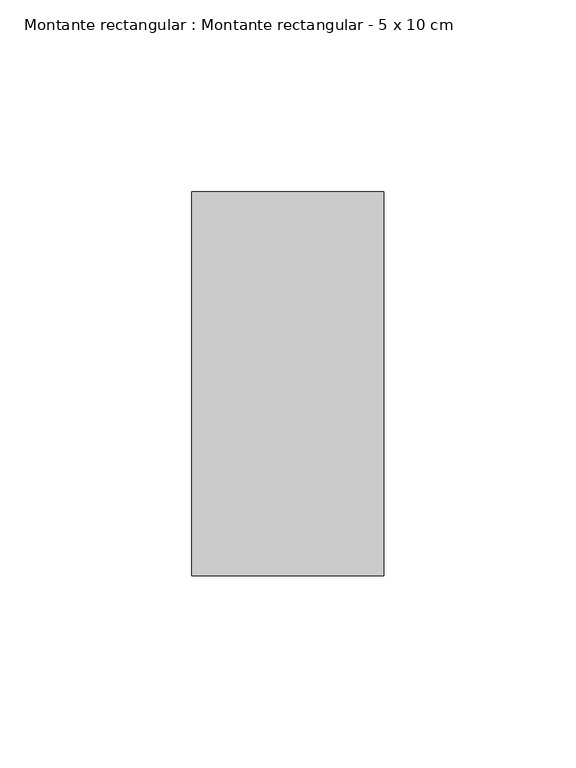
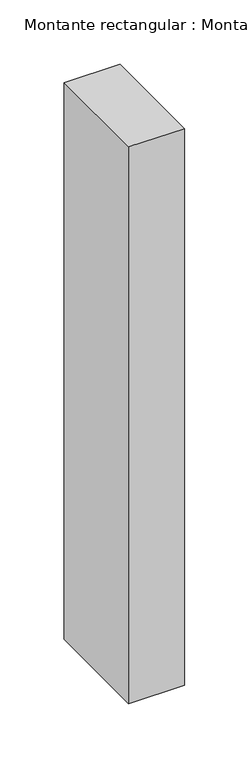
"""IFC4 building model written with IfcOpenShell, lengths in millimetres: member geometry, Montante rectangular : Montante rectangular - 5 x 10 cm."""

from ifc_helpers import new_model, si_unit, frame, origin, place, context, project, spatial, polyline, outline, extrude, source, transform, mapped, element, save


def montante_rectangular_montante_rectangular_5_x_10_cm_d5a06de9(model_context):
    return source(origin(), model_context, "Body", "SweptSolid", [
        extrude(outline(polyline([(0.0, 50.0), (0.0, -50.0), (-50.0, -50.0), (-50.0, 50.0), (0.0, 50.0)])), frame((0.0, 0.0, -527.0), z_axis=(0.0, 0.0, 1.0), x_axis=(1.0, 0.0, 0.0)), (0.0, 0.0, 1.0), 527.0),
    ])


if __name__ == "__main__":
    model = new_model("IFC4")
    model_context = context("Model", 3, world=origin())
    ifc_project = project(units=[si_unit("LENGTHUNIT", "METRE", prefix="MILLI")], contexts=[model_context])
    site = spatial("IfcSite", under=ifc_project)
    building = spatial("IfcBuilding", under=site)
    placement = place(None, origin())
    montante_rectangular_montante_rectangular_5_x_10_cm_shape = montante_rectangular_montante_rectangular_5_x_10_cm_d5a06de9(model_context)
    element("IfcMember", 1, ObjectType="Montante rectangular : Montante rectangular - 5 x 10 cm", at=placement, inside=building, context=model_context, shape_type="MappedRepresentation", body=[
        mapped(montante_rectangular_montante_rectangular_5_x_10_cm_shape, transform((0.0, 0.0, 0.0), x_axis=(1.0, 0.0, 0.0), y_axis=(0.0, 1.0, 0.0), z_axis=(0.0, 0.0, 1.0))),
    ])
    save(model, "model.ifc")
